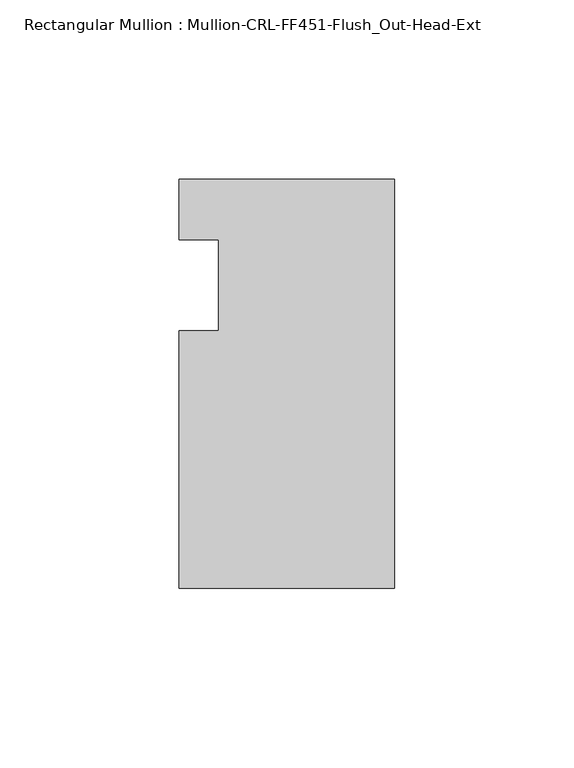
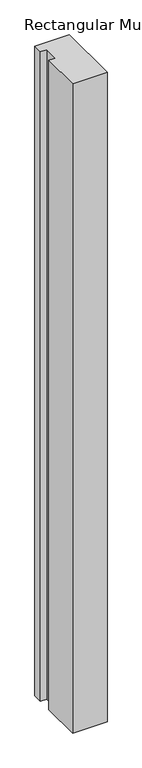
"""IFC4 building model written with IfcOpenShell, lengths in millimetres: member geometry, Rectangular Mullion : Mullion-CRL-FF451-Flush_Out-Head-Ext."""

from ifc_helpers import new_model, si_unit, frame, origin, place, context, project, spatial, polyline, outline, extrude, source, transform, mapped, element, save


def rectangular_mullion_mullion_crl_ff451_flush_out_head_ext_2b116564(model_context):
    return source(origin(), model_context, "Body", "SweptSolid", [
        extrude(outline(polyline([(0.0, -84.6650108), (-60.325, -84.6650108), (-60.325, -12.7), (-49.2125, -12.7), (-49.2125, 12.7), (-60.325, 12.7), (-60.325, 29.6349892), (0.0, 29.6349892), (0.0, -84.6650108)])), frame((0.0, 0.0, -1202.3155522), z_axis=(0.0, 0.0, 1.0), x_axis=(1.0, 0.0, 0.0)), (0.0, 0.0, 1.0), 1202.3155522),
    ])


if __name__ == "__main__":
    model = new_model("IFC4")
    model_context = context("Model", 3, world=origin())
    ifc_project = project(units=[si_unit("LENGTHUNIT", "METRE", prefix="MILLI")], contexts=[model_context])
    site = spatial("IfcSite", under=ifc_project)
    building = spatial("IfcBuilding", under=site)
    placement = place(None, origin())
    rectangular_mullion_mullion_crl_ff451_flush_out_head_ext_shape = rectangular_mullion_mullion_crl_ff451_flush_out_head_ext_2b116564(model_context)
    element("IfcMember", 1, ObjectType="Rectangular Mullion : Mullion-CRL-FF451-Flush_Out-Head-Ext", at=placement, inside=building, context=model_context, shape_type="MappedRepresentation", body=[
        mapped(rectangular_mullion_mullion_crl_ff451_flush_out_head_ext_shape, transform((0.0, 0.0, 0.0), x_axis=(1.0, 0.0, 0.0), y_axis=(0.0, 1.0, 0.0), z_axis=(0.0, 0.0, 1.0))),
    ])
    save(model, "model.ifc")
